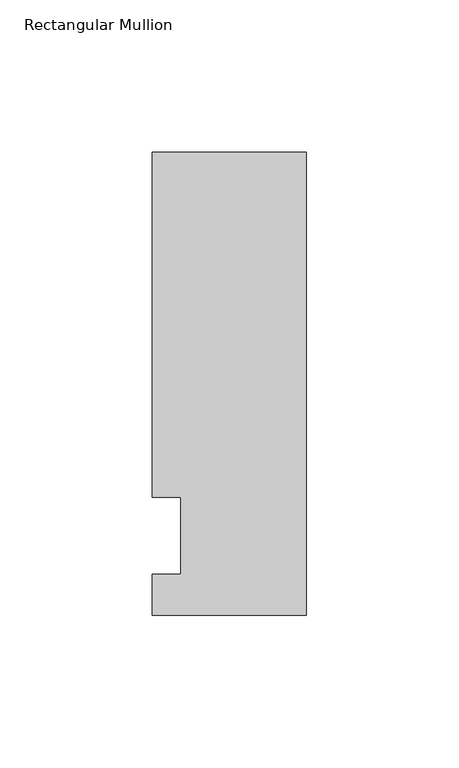
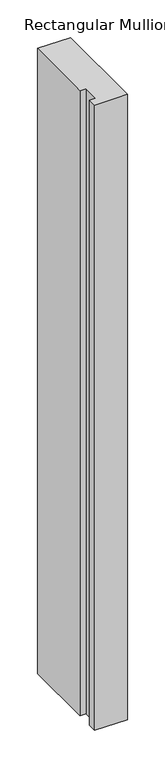
"""IFC4 building model written with IfcOpenShell, lengths in millimetres: member geometry, Rectangular Mullion."""

from ifc_helpers import new_model, si_unit, frame, origin, place, context, project, spatial, polyline, outline, extrude, source, transform, mapped, element, save


def rectangular_mullion_09dc6835(model_context):
    return source(origin(), model_context, "Body", "SweptSolid", [
        extrude(outline(polyline([(-50.8, -26.19375), (-50.8, -12.7), (-41.275, -12.7), (-41.275, 12.7), (-50.8, 12.7), (-50.8, 126.20625), (0.0, 126.20625), (0.0, -26.19375), (-50.8, -26.19375)])), frame((0.0, 0.0, -1016.0), z_axis=(0.0, 0.0, 1.0), x_axis=(1.0, 0.0, 0.0)), (0.0, 0.0, 1.0), 1016.0),
    ])


if __name__ == "__main__":
    model = new_model("IFC4")
    model_context = context("Model", 3, world=origin())
    ifc_project = project(units=[si_unit("LENGTHUNIT", "METRE", prefix="MILLI")], contexts=[model_context])
    site = spatial("IfcSite", under=ifc_project)
    building = spatial("IfcBuilding", under=site)
    placement = place(None, origin())
    rectangular_mullion_shape = rectangular_mullion_09dc6835(model_context)
    element("IfcMember", 1, ObjectType="Rectangular Mullion", at=placement, inside=building, context=model_context, shape_type="MappedRepresentation", body=[
        mapped(rectangular_mullion_shape, transform((0.0, 0.0, 0.0), x_axis=(1.0, 0.0, 0.0), y_axis=(0.0, 1.0, 0.0), z_axis=(0.0, 0.0, 1.0))),
    ])
    save(model, "model.ifc")
